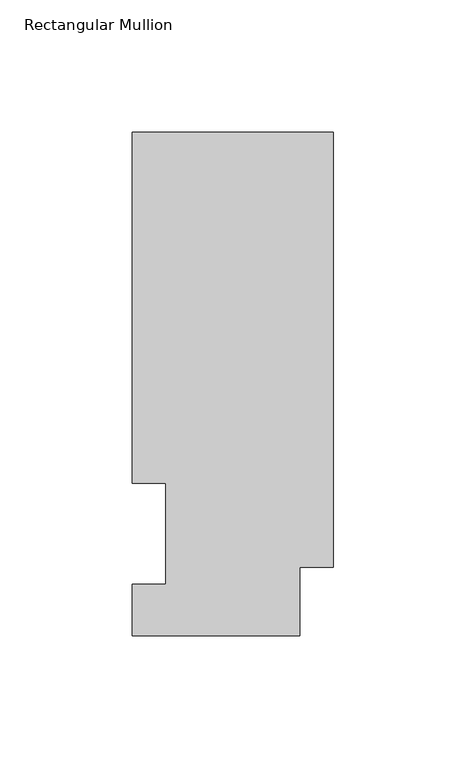
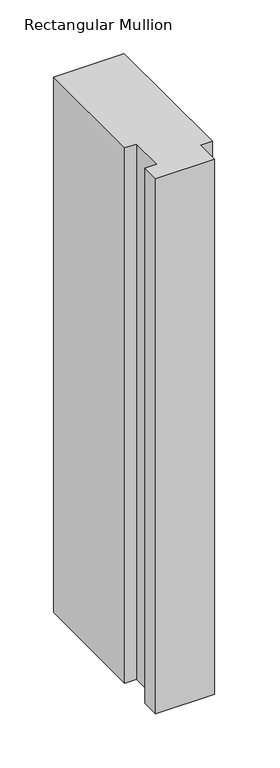
"""IFC4 building model written with IfcOpenShell, lengths in millimetres: member geometry, Rectangular Mullion."""

from ifc_helpers import new_model, si_unit, frame, origin, place, context, project, spatial, polyline, outline, extrude, source, transform, mapped, element, save


def rectangular_mullion_38490957(model_context):
    return source(origin(), model_context, "Body", "SweptSolid", [
        extrude(outline(polyline([(-76.2, 0.0134937), (-76.2, 19.5460937), (-63.5127, 19.5460937), (-63.5127, 57.6460937), (-76.2, 57.6460937), (-76.2, 190.5896937), (0.0, 190.5896937), (0.0, 25.8960937), (-12.7, 25.8960937), (-12.7, 0.0134937), (-76.2, 0.0134937)])), frame((0.0, 0.0, -609.6), z_axis=(0.0, 0.0, 1.0), x_axis=(1.0, 0.0, 0.0)), (0.0, 0.0, 1.0), 609.6),
    ])


if __name__ == "__main__":
    model = new_model("IFC4")
    model_context = context("Model", 3, world=origin())
    ifc_project = project(units=[si_unit("LENGTHUNIT", "METRE", prefix="MILLI")], contexts=[model_context])
    site = spatial("IfcSite", under=ifc_project)
    building = spatial("IfcBuilding", under=site)
    placement = place(None, origin())
    rectangular_mullion_shape = rectangular_mullion_38490957(model_context)
    element("IfcMember", 1, ObjectType="Rectangular Mullion", at=placement, inside=building, context=model_context, shape_type="MappedRepresentation", body=[
        mapped(rectangular_mullion_shape, transform((0.0, 0.0, 0.0), x_axis=(1.0, 0.0, 0.0), y_axis=(0.0, 1.0, 0.0), z_axis=(0.0, 0.0, 1.0))),
    ])
    save(model, "model.ifc")
